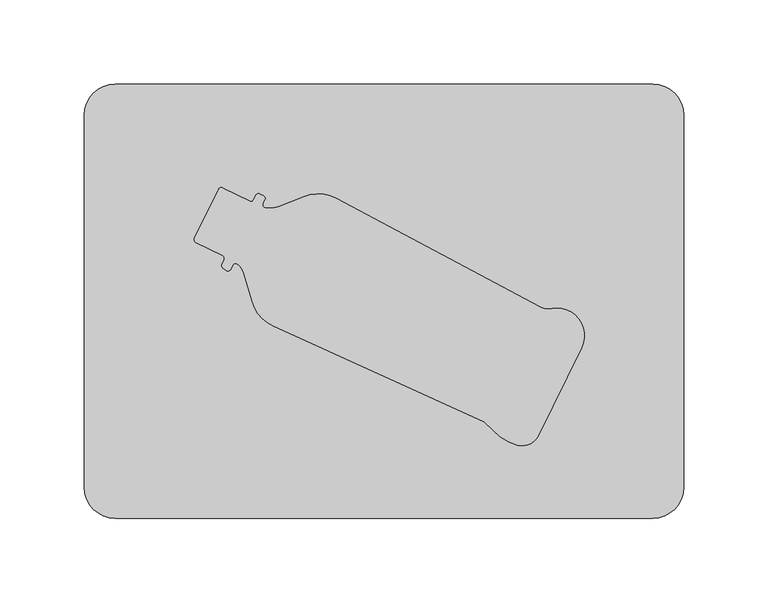
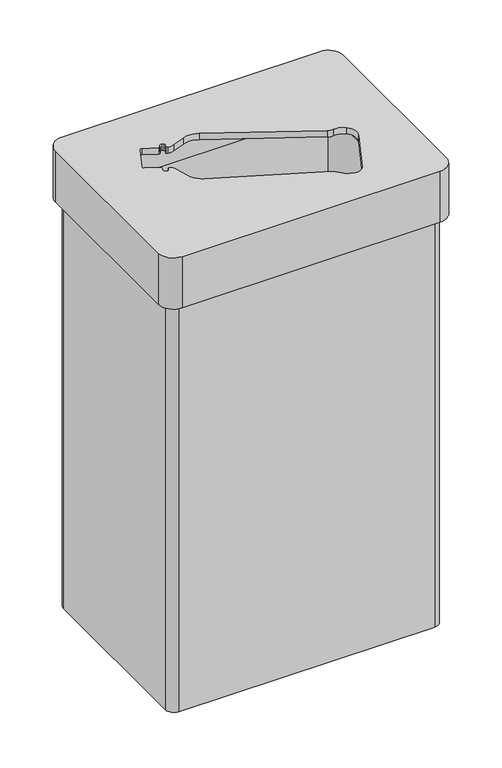
"""IFC4 building model written with IfcOpenShell, lengths in millimetres: furniture geometry."""

from ifc_helpers import new_model, si_unit, frame, origin, place, context, project, spatial, polyline, circle_curve, source, transform, mapped, element, save
from ifc_brep_helpers import plane_surface, cylinder_surface, revolved_surface, advanced_brep


def furniture_917c102f(model_context):
    return source(origin(), model_context, "Body", "AdvancedBrep", [
        advanced_brep(
        [(159.5, 129.0, 601.2), (-159.5, 129.0, 601.2), (-178.0, 110.5, 601.2), (-178.0, -110.5, 601.2), (-159.5, -129.0, 601.2), (159.5, -129.0, 601.2), (178.0, -110.5, 601.2), (178.0, 110.5, 601.2), (59.5843107, -71.6563973, 601.2), (-65.8931473, -14.6079938, 601.2), (-78.2521723, -0.2895037, 601.2), (-83.1803377, 16.6169973, 601.2), (-87.0044495, 22.1215762, 601.2), (-89.8301065, 21.5731394, 601.2), (-91.1059775, 18.9830206, 601.2), (-93.8036148, 18.3302183, 601.2), (-95.4113824, 19.5228809, 601.2), (-96.2339096, 21.9424259, 601.2), (-94.9243949, 24.6008441, 601.2), (-95.7469221, 27.020389, 601.2), (-111.7313977, 34.8942089, 601.2), (-112.5539249, 37.3137539, 601.2), (-98.1807647, 66.4924032, 601.2), (-95.7612197, 67.3149304, 601.2), (-79.776744, 59.4411105, 601.2), (-77.3571991, 60.2636377, 601.2), (-76.0476844, 62.9220559, 601.2), (-73.6281394, 63.744583, 601.2), (-71.5704661, 62.7309902, 601.2), (-70.7479389, 60.3114453, 601.2), (-71.8519965, 58.0701212, 601.2), (-70.5646552, 55.4956556, 601.2), (-62.5959675, 56.2532835, 601.2), (-47.4626798, 62.2155953, 601.2), (-28.5783978, 61.1438919, 601.2), (92.6808897, -3.330815, 601.2), (99.7648604, -4.4150109, 601.2), (113.5191292, -8.209037, 601.2), (117.3449783, -27.5875375, 601.2), (91.5026253, -80.049553, 601.2), (79.4158996, -85.5472068, 601.2), (64.8157204, -76.6560157, 601.2), (159.5, 110.5, 593.2), (159.5, -110.5, 593.2), (-159.5, -110.5, 593.2), (-159.5, 110.5, 593.2), (59.5843107, -71.6563973, 593.2), (64.8157204, -76.6560157, 593.2), (79.4158996, -85.5472068, 593.2), (91.5026253, -80.049553, 593.2), (117.3449783, -27.5875375, 593.2), (113.5191292, -8.209037, 593.2), (99.7648604, -4.4150109, 593.2), (92.6808897, -3.330815, 593.2), (-28.5783978, 61.1438919, 593.2), (-47.4626798, 62.2155953, 593.2), (-62.5959675, 56.2532835, 593.2), (-70.5646552, 55.4956556, 593.2), (-71.8519965, 58.0701212, 593.2), (-70.7479389, 60.3114453, 593.2), (-71.5704661, 62.7309902, 593.2), (-73.6281394, 63.744583, 593.2), (-76.0476844, 62.9220559, 593.2), (-77.3571991, 60.2636377, 593.2), (-79.776744, 59.4411105, 593.2), (-95.7612197, 67.3149304, 593.2), (-98.1807647, 66.4924032, 593.2), (-112.5539249, 37.3137539, 593.2), (-111.7313977, 34.8942089, 593.2), (-95.7469221, 27.020389, 593.2), (-94.9243949, 24.6008441, 593.2), (-96.2339096, 21.9424259, 593.2), (-95.4113824, 19.5228809, 593.2), (-93.8036148, 18.3302183, 593.2), (-91.1059775, 18.9830206, 593.2), (-89.8301065, 21.5731394, 593.2), (-87.0044495, 22.1215762, 593.2), (-83.1803377, 16.6169973, 593.2), (-78.2521723, -0.2895037, 593.2), (-65.8931473, -14.6079938, 593.2), (159.5, 129.0, 534.2), (178.0, 110.5, 534.2), (178.0, -110.5, 534.2), (159.5, -129.0, 534.2), (-159.5, -129.0, 534.2), (-178.0, -110.5, 534.2), (-178.0, 110.5, 534.2), (-159.5, 129.0, 534.2), (159.5, 110.5, 534.2), (-159.5, 110.5, 534.2), (-159.5, -110.5, 534.2), (159.5, -110.5, 534.2)],
        [
            (0, 1),
            (1, 2, circle_curve(frame((-159.5, 110.5, 601.2), z_axis=(0.0, 0.0, 1.0), x_axis=(1.0, 0.0, 0.0)), 18.5)),
            (2, 3),
            (3, 4, circle_curve(frame((-159.5, -110.5, 601.2), z_axis=(0.0, 0.0, 1.0), x_axis=(1.0, 0.0, 0.0)), 18.5)),
            (4, 5),
            (5, 6, circle_curve(frame((159.5, -110.5, 601.2), z_axis=(0.0, 0.0, 1.0), x_axis=(1.0, 0.0, 0.0)), 18.5)),
            (6, 7),
            (7, 0, circle_curve(frame((159.5, 110.5, 601.2), z_axis=(0.0, 0.0, 1.0), x_axis=(1.0, 0.0, 0.0)), 18.5)),
            (8, 9),
            (9, 10, circle_curve(frame((-56.5444017, 5.9544893, 601.2), z_axis=(0.0, 0.0, -1.0), x_axis=(1.0, 0.0, 0.0)), 22.5879338)),
            (10, 11),
            (11, 12, circle_curve(frame((-93.398379, 13.5989968, 601.2), z_axis=(0.0, 0.0, 1.0), x_axis=(1.0, 0.0, 0.0)), 10.6544214)),
            (12, 13, circle_curve(frame((-88.1691769, 20.5690908, 601.2), z_axis=(0.0, 0.0, 1.0), x_axis=(1.0, 0.0, 0.0)), 1.9408247)),
            (13, 14),
            (14, 15, circle_curve(frame((-92.7270136, 19.7815295, 601.2), z_axis=(0.0, 0.0, -1.0), x_axis=(1.0, 0.0, 0.0)), 1.8070347)),
            (15, 16),
            (16, 17, circle_curve(frame((-94.0726412, 21.3275696, 601.2), z_axis=(0.0, 0.0, -1.0), x_axis=(1.0, 0.0, 0.0)), 2.2470268)),
            (17, 18),
            (18, 19, circle_curve(frame((-96.545431, 25.399353, 601.2), z_axis=(0.0, 0.0, 1.0), x_axis=(1.0, 0.0, 0.0)), 1.8070347)),
            (19, 20),
            (20, 21, circle_curve(frame((-110.9328888, 36.515245, 601.2), z_axis=(0.0, 0.0, -1.0), x_axis=(1.0, 0.0, 0.0)), 1.8070347)),
            (21, 22),
            (22, 23, circle_curve(frame((-96.5597286, 65.6938943, 601.2), z_axis=(0.0, 0.0, -1.0), x_axis=(1.0, 0.0, 0.0)), 1.8070347)),
            (23, 24),
            (24, 25, circle_curve(frame((-78.9782351, 61.0621466, 601.2), z_axis=(0.0, 0.0, 1.0), x_axis=(1.0, 0.0, 0.0)), 1.8070347)),
            (25, 26),
            (26, 27, circle_curve(frame((-74.4266483, 62.1235469, 601.2), z_axis=(0.0, 0.0, -1.0), x_axis=(1.0, 0.0, 0.0)), 1.8070347)),
            (27, 28),
            (28, 29, circle_curve(frame((-72.368975, 61.1099542, 601.2), z_axis=(0.0, 0.0, -1.0), x_axis=(1.0, 0.0, 0.0)), 1.8070347)),
            (29, 30),
            (30, 31, circle_curve(frame((-70.2309604, 57.2716123, 601.2), z_axis=(0.0, 0.0, 1.0), x_axis=(1.0, 0.0, 0.0)), 1.8070347)),
            (31, 32, circle_curve(frame((-67.8950968, 69.7033092, 601.2), z_axis=(0.0, 0.0, 1.0), x_axis=(1.0, 0.0, 0.0)), 14.4562776)),
            (32, 33),
            (33, 34, circle_curve(frame((-39.1827904, 41.1999301, 601.2), z_axis=(0.0, 0.0, -1.0), x_axis=(1.0, 0.0, 0.0)), 22.5879338)),
            (34, 35),
            (35, 36, circle_curve(frame((97.7709982, 6.2422867, 601.2), z_axis=(0.0, 0.0, 1.0), x_axis=(1.0, 0.0, 0.0)), 10.8422082)),
            (36, 37, circle_curve(frame((102.7556536, -20.4009574, 601.2), z_axis=(0.0, 0.0, -1.0), x_axis=(1.0, 0.0, 0.0)), 16.2633123)),
            (37, 38, circle_curve(frame((102.7556536, -20.4009574, 601.2), z_axis=(0.0, 0.0, -1.0), x_axis=(1.0, 0.0, 0.0)), 16.2633123)),
            (38, 39),
            (39, 40, circle_curve(frame((82.0352719, -75.2706533, 601.2), z_axis=(0.0, 0.0, -1.0), x_axis=(1.0, 0.0, 0.0)), 10.6051244)),
            (40, 41, circle_curve(frame((86.6195994, -57.2850133, 601.2), z_axis=(0.0, 0.0, -1.0), x_axis=(1.0, 0.0, 0.0)), 29.1658169)),
            (41, 8, circle_curve(frame((31.6593098, -106.1128343, 601.2), z_axis=(0.0, 0.0, 1.0), x_axis=(1.0, 0.0, 0.0)), 44.3514569)),
            (42, 43),
            (43, 44),
            (44, 45),
            (45, 42),
            (46, 47, circle_curve(frame((31.6593098, -106.1128343, 593.2), z_axis=(0.0, 0.0, -1.0), x_axis=(1.0, 0.0, 0.0)), 44.3514569)),
            (47, 48, circle_curve(frame((86.6195994, -57.2850133, 593.2), z_axis=(0.0, 0.0, 1.0), x_axis=(1.0, 0.0, 0.0)), 29.1658169)),
            (48, 49, circle_curve(frame((82.0352719, -75.2706533, 593.2), z_axis=(0.0, 0.0, 1.0), x_axis=(1.0, 0.0, 0.0)), 10.6051244)),
            (49, 50),
            (50, 51, circle_curve(frame((102.7556536, -20.4009574, 593.2), z_axis=(0.0, 0.0, 1.0), x_axis=(1.0, 0.0, 0.0)), 16.2633123)),
            (51, 52, circle_curve(frame((102.7556536, -20.4009574, 593.2), z_axis=(0.0, 0.0, 1.0), x_axis=(1.0, 0.0, 0.0)), 16.2633123)),
            (52, 53, circle_curve(frame((97.7709982, 6.2422867, 593.2), z_axis=(0.0, 0.0, -1.0), x_axis=(1.0, 0.0, 0.0)), 10.8422082)),
            (53, 54),
            (54, 55, circle_curve(frame((-39.1827904, 41.1999301, 593.2), z_axis=(0.0, 0.0, 1.0), x_axis=(1.0, 0.0, 0.0)), 22.5879338)),
            (55, 56),
            (56, 57, circle_curve(frame((-67.8950968, 69.7033092, 593.2), z_axis=(0.0, 0.0, -1.0), x_axis=(1.0, 0.0, 0.0)), 14.4562776)),
            (57, 58, circle_curve(frame((-70.2309604, 57.2716123, 593.2), z_axis=(0.0, 0.0, -1.0), x_axis=(1.0, 0.0, 0.0)), 1.8070347)),
            (58, 59),
            (59, 60, circle_curve(frame((-72.368975, 61.1099542, 593.2), z_axis=(0.0, 0.0, 1.0), x_axis=(1.0, 0.0, 0.0)), 1.8070347)),
            (60, 61),
            (61, 62, circle_curve(frame((-74.4266483, 62.1235469, 593.2), z_axis=(0.0, 0.0, 1.0), x_axis=(1.0, 0.0, 0.0)), 1.8070347)),
            (62, 63),
            (63, 64, circle_curve(frame((-78.9782351, 61.0621466, 593.2), z_axis=(0.0, 0.0, -1.0), x_axis=(1.0, 0.0, 0.0)), 1.8070347)),
            (64, 65),
            (65, 66, circle_curve(frame((-96.5597286, 65.6938943, 593.2), z_axis=(0.0, 0.0, 1.0), x_axis=(1.0, 0.0, 0.0)), 1.8070347)),
            (66, 67),
            (67, 68, circle_curve(frame((-110.9328888, 36.515245, 593.2), z_axis=(0.0, 0.0, 1.0), x_axis=(1.0, 0.0, 0.0)), 1.8070347)),
            (68, 69),
            (69, 70, circle_curve(frame((-96.545431, 25.399353, 593.2), z_axis=(0.0, 0.0, -1.0), x_axis=(1.0, 0.0, 0.0)), 1.8070347)),
            (70, 71),
            (71, 72, circle_curve(frame((-94.0726412, 21.3275696, 593.2), z_axis=(0.0, 0.0, 1.0), x_axis=(1.0, 0.0, 0.0)), 2.2470268)),
            (72, 73),
            (73, 74, circle_curve(frame((-92.7270136, 19.7815295, 593.2), z_axis=(0.0, 0.0, 1.0), x_axis=(1.0, 0.0, 0.0)), 1.8070347)),
            (74, 75),
            (75, 76, circle_curve(frame((-88.1691769, 20.5690908, 593.2), z_axis=(0.0, 0.0, -1.0), x_axis=(1.0, 0.0, 0.0)), 1.9408247)),
            (76, 77, circle_curve(frame((-93.398379, 13.5989968, 593.2), z_axis=(0.0, 0.0, -1.0), x_axis=(1.0, 0.0, 0.0)), 10.6544214)),
            (77, 78),
            (78, 79, circle_curve(frame((-56.5444017, 5.9544893, 593.2), z_axis=(0.0, 0.0, 1.0), x_axis=(1.0, 0.0, 0.0)), 22.5879338)),
            (79, 46),
            (8, 46),
            (79, 9),
            (78, 10),
            (77, 11),
            (76, 12),
            (75, 13),
            (74, 14),
            (73, 15),
            (72, 16),
            (71, 17),
            (70, 18),
            (69, 19),
            (68, 20),
            (67, 21),
            (66, 22),
            (65, 23),
            (64, 24),
            (63, 25),
            (62, 26),
            (61, 27),
            (60, 28),
            (59, 29),
            (58, 30),
            (57, 31),
            (56, 32),
            (55, 33),
            (54, 34),
            (53, 35),
            (52, 36),
            (51, 37),
            (50, 38),
            (49, 39),
            (48, 40),
            (47, 41),
            (80, 81, circle_curve(frame((159.5, 110.5, 534.2), z_axis=(0.0, 0.0, -1.0), x_axis=(1.0, 0.0, 0.0)), 18.5)),
            (81, 82),
            (82, 83, circle_curve(frame((159.5, -110.5, 534.2), z_axis=(0.0, 0.0, -1.0), x_axis=(1.0, 0.0, 0.0)), 18.5)),
            (83, 84),
            (84, 85, circle_curve(frame((-159.5, -110.5, 534.2), z_axis=(0.0, 0.0, -1.0), x_axis=(1.0, 0.0, 0.0)), 18.5)),
            (85, 86),
            (86, 87, circle_curve(frame((-159.5, 110.5, 534.2), z_axis=(0.0, 0.0, -1.0), x_axis=(1.0, 0.0, 0.0)), 18.5)),
            (87, 80),
            (88, 89),
            (89, 90),
            (90, 91),
            (91, 88),
            (0, 80),
            (87, 1),
            (86, 2),
            (85, 3),
            (84, 4),
            (83, 5),
            (82, 6),
            (81, 7),
            (91, 43),
            (42, 88),
            (90, 44),
            (89, 45),
        ],
        [
            plane_surface(frame((-159.5, 110.5, 601.2), z_axis=(0.0, 0.0, 1.0), x_axis=(-1.0, 0.0, 0.0))),
            plane_surface(frame((-159.5, 110.5, 593.2), z_axis=(0.0, 0.0, -1.0), x_axis=(1.0, 0.0, 0.0))),
            plane_surface(frame((59.5843107, -71.6563973, 601.2), z_axis=(0.4138822819471082, 0.9103304107247294, 0.0), x_axis=(0.0, 0.0, -1.0))),
            revolved_surface(polyline([(-33.95646790000001, 5.9544893, 593.2), (-33.95646790000001, 5.9544893, 601.2)]), (-56.5444017, 5.9544893, 601.2), (0.0, 0.0, -1.0)),
            plane_surface(frame((-78.2521723, -0.2895037, 601.2), z_axis=(0.9600442129377379, 0.2798483682367283, 0.0), x_axis=(0.0, 0.0, -1.0))),
            cylinder_surface(frame((-93.398379, 13.5989968, 601.2), z_axis=(0.0, 0.0, 1.0), x_axis=(1.0, 0.0, 0.0)), 10.6544214),
            cylinder_surface(frame((-88.1691769, 20.5690908, 601.2), z_axis=(0.0, 0.0, 1.0), x_axis=(1.0, 0.0, 0.0)), 1.9408247),
            plane_surface(frame((-89.8301065, 21.5731394, 601.2), z_axis=(-0.8970696971642269, 0.4418890793283789, 0.0), x_axis=(0.0, 0.0, -1.0))),
            revolved_surface(polyline([(-90.9199789, 19.7815295, 593.2), (-90.9199789, 19.7815295, 601.2)]), (-92.7270136, 19.7815295, 601.2), (0.0, 0.0, -1.0)),
            plane_surface(frame((-93.8036148, 18.3302183, 601.2), z_axis=(0.5957833818075574, 0.8031451686724825, 0.0), x_axis=(0.0, 0.0, -1.0))),
            revolved_surface(polyline([(-91.8256144, 21.3275696, 593.2), (-91.8256144, 21.3275696, 601.2)]), (-94.0726412, 21.3275696, 601.2), (0.0, 0.0, -1.0)),
            plane_surface(frame((-96.2339096, 21.9424259, 601.2), z_axis=(0.8970696971642791, -0.4418890793282728, 0.0), x_axis=(0.0, 0.0, -1.0))),
            cylinder_surface(frame((-96.545431, 25.399353, 601.2), z_axis=(0.0, 0.0, 1.0), x_axis=(1.0, 0.0, 0.0)), 1.8070347),
            plane_surface(frame((-95.7469221, 27.020389, 601.2), z_axis=(0.44188907932840954, 0.8970696971642118, 0.0), x_axis=(0.0, 0.0, -1.0))),
            revolved_surface(polyline([(-109.1258541, 36.515245, 593.2), (-109.1258541, 36.515245, 601.2)]), (-110.9328888, 36.515245, 601.2), (0.0, 0.0, -1.0)),
            plane_surface(frame((-112.5539249, 37.3137539, 601.2), z_axis=(0.8970696971642161, -0.44188907932840077, 0.0), x_axis=(0.0, 0.0, -1.0))),
            revolved_surface(polyline([(-94.7526939, 65.6938943, 593.2), (-94.7526939, 65.6938943, 601.2)]), (-96.5597286, 65.6938943, 601.2), (0.0, 0.0, -1.0)),
            plane_surface(frame((-95.7612197, 67.3149304, 601.2), z_axis=(-0.44188907932834004, -0.897069697164246, 0.0), x_axis=(0.0, 0.0, -1.0))),
            cylinder_surface(frame((-78.9782351, 61.0621466, 601.2), z_axis=(0.0, 0.0, 1.0), x_axis=(1.0, 0.0, 0.0)), 1.8070347),
            plane_surface(frame((-77.3571991, 60.2636377, 601.2), z_axis=(0.8970696971641466, -0.44188907932854193, 0.0), x_axis=(0.0, 0.0, -1.0))),
            revolved_surface(polyline([(-72.6196136, 62.1235469, 593.2), (-72.6196136, 62.1235469, 601.2)]), (-74.4266483, 62.1235469, 601.2), (0.0, 0.0, -1.0)),
            plane_surface(frame((-73.6281394, 63.744583, 601.2), z_axis=(-0.4418890793284627, -0.8970696971641856, 0.0), x_axis=(0.0, 0.0, -1.0))),
            revolved_surface(polyline([(-70.5619403, 61.1099542, 593.2), (-70.5619403, 61.1099542, 601.2)]), (-72.368975, 61.1099542, 601.2), (0.0, 0.0, -1.0)),
            plane_surface(frame((-70.7479389, 60.3114453, 601.2), z_axis=(-0.8970696971640728, 0.4418890793286916, 0.0), x_axis=(0.0, 0.0, -1.0))),
            cylinder_surface(frame((-70.2309604, 57.2716123, 601.2), z_axis=(0.0, 0.0, 1.0), x_axis=(1.0, 0.0, 0.0)), 1.8070347),
            cylinder_surface(frame((-67.8950968, 69.7033092, 601.2), z_axis=(0.0, 0.0, 1.0), x_axis=(1.0, 0.0, 0.0)), 14.4562776),
            plane_surface(frame((-62.5959675, 56.2532835, 601.2), z_axis=(0.36656250054193773, -0.9303934292526157, 0.0), x_axis=(0.0, 0.0, -1.0))),
            revolved_surface(polyline([(-16.594856600000004, 41.1999301, 593.2), (-16.594856600000004, 41.1999301, 601.2)]), (-39.1827904, 41.1999301, 601.2), (0.0, 0.0, -1.0)),
            plane_surface(frame((-28.5783978, 61.1438919, 601.2), z_axis=(-0.4694715627858952, -0.8829475928589247, 0.0), x_axis=(0.0, 0.0, -1.0))),
            cylinder_surface(frame((97.7709982, 6.2422867, 601.2), z_axis=(0.0, 0.0, 1.0), x_axis=(1.0, 0.0, 0.0)), 10.8422082),
            revolved_surface(polyline([(119.0189659, -20.4009574, 593.2), (119.0189659, -20.4009574, 601.2)]), (102.7556536, -20.4009574, 601.2), (0.0, 0.0, -1.0)),
            plane_surface(frame((117.3449783, -27.5875375, 601.2), z_axis=(-0.8970696971642149, 0.4418890793284034, 0.0), x_axis=(0.0, 0.0, -1.0))),
            revolved_surface(polyline([(92.64039629999999, -75.2706533, 593.2), (92.64039629999999, -75.2706533, 601.2)]), (82.0352719, -75.2706533, 601.2), (0.0, 0.0, -1.0)),
            revolved_surface(polyline([(115.7854163, -57.2850133, 593.2), (115.7854163, -57.2850133, 601.2)]), (86.6195994, -57.2850133, 601.2), (0.0, 0.0, -1.0)),
            cylinder_surface(frame((31.6593098, -106.1128343, 601.2), z_axis=(0.0, 0.0, 1.0), x_axis=(1.0, 0.0, 0.0)), 44.3514569),
            plane_surface(frame((-159.5, 129.0, 534.2), z_axis=(0.0, 0.0, -1.0), x_axis=(1.0, 0.0, 0.0))),
            plane_surface(frame((159.5, 129.0, 601.2), z_axis=(0.0, 1.0, 0.0), x_axis=(0.0, 0.0, -1.0))),
            cylinder_surface(frame((-159.5, 110.5, 534.2), z_axis=(0.0, 0.0, 1.0), x_axis=(1.0, 0.0, 0.0)), 18.5),
            plane_surface(frame((-178.0, 110.5, 601.2), z_axis=(-1.0, 0.0, 0.0), x_axis=(0.0, 0.0, -1.0))),
            cylinder_surface(frame((-159.5, -110.5, 534.2), z_axis=(0.0, 0.0, 1.0), x_axis=(1.0, 0.0, 0.0)), 18.5),
            plane_surface(frame((-159.5, -129.0, 601.2), z_axis=(0.0, -1.0, 0.0), x_axis=(0.0, 0.0, -1.0))),
            cylinder_surface(frame((159.5, -110.5, 534.2), z_axis=(0.0, 0.0, 1.0), x_axis=(1.0, 0.0, 0.0)), 18.5),
            plane_surface(frame((178.0, -110.5, 601.2), z_axis=(1.0, 0.0, 0.0), x_axis=(0.0, 0.0, -1.0))),
            cylinder_surface(frame((159.5, 110.5, 534.2), z_axis=(0.0, 0.0, 1.0), x_axis=(1.0, 0.0, 0.0)), 18.5),
            plane_surface(frame((159.5, 110.5, 601.2), z_axis=(-1.0, 0.0, 0.0), x_axis=(0.0, 0.0, -1.0))),
            plane_surface(frame((159.5, -110.5, 601.2), z_axis=(0.0, 1.0, 0.0), x_axis=(0.0, 0.0, -1.0))),
            plane_surface(frame((-159.5, -110.5, 601.2), z_axis=(1.0, 0.0, 0.0), x_axis=(0.0, 0.0, -1.0))),
            plane_surface(frame((-159.5, 110.5, 601.2), z_axis=(0.0, -1.0, 0.0), x_axis=(0.0, 0.0, -1.0))),
        ],
        [
            (0, [[1, 2, 3, 4, 5, 6, 7, 8], [9, 10, 11, 12, 13, 14, 15, 16, 17, 18, 19, 20, 21, 22, 23, 24, 25, 26, 27, 28, 29, 30, 31, 32, 33, 34, 35, 36, 37, 38, 39, 40, 41, 42]]),
            (1, [[43, 44, 45, 46], [47, 48, 49, 50, 51, 52, 53, 54, 55, 56, 57, 58, 59, 60, 61, 62, 63, 64, 65, 66, 67, 68, 69, 70, 71, 72, 73, 74, 75, 76, 77, 78, 79, 80]]),
            (2, [[-9, 81, -80, 82]]),
            (3, [[-10, -82, -79, 83]]),
            (4, [[-11, -83, -78, 84]]),
            (5, [[-12, -84, -77, 85]]),
            (6, [[-13, -85, -76, 86]]),
            (7, [[-14, -86, -75, 87]]),
            (8, [[-15, -87, -74, 88]]),
            (9, [[-16, -88, -73, 89]]),
            (10, [[-17, -89, -72, 90]]),
            (11, [[-18, -90, -71, 91]]),
            (12, [[-19, -91, -70, 92]]),
            (13, [[-20, -92, -69, 93]]),
            (14, [[-21, -93, -68, 94]]),
            (15, [[-22, -94, -67, 95]]),
            (16, [[-23, -95, -66, 96]]),
            (17, [[-24, -96, -65, 97]]),
            (18, [[-25, -97, -64, 98]]),
            (19, [[-26, -98, -63, 99]]),
            (20, [[-27, -99, -62, 100]]),
            (21, [[-28, -100, -61, 101]]),
            (22, [[-29, -101, -60, 102]]),
            (23, [[-30, -102, -59, 103]]),
            (24, [[-31, -103, -58, 104]]),
            (25, [[-32, -104, -57, 105]]),
            (26, [[-33, -105, -56, 106]]),
            (27, [[-34, -106, -55, 107]]),
            (28, [[-35, -107, -54, 108]]),
            (29, [[-36, -108, -53, 109]]),
            (30, [[-37, -109, -52, 110]]),
            (30, [[-38, -110, -51, 111]]),
            (31, [[-39, -111, -50, 112]]),
            (32, [[-40, -112, -49, 113]]),
            (33, [[-41, -113, -48, 114]]),
            (34, [[-42, -114, -47, -81]]),
            (35, [[115, 116, 117, 118, 119, 120, 121, 122], [123, 124, 125, 126]]),
            (36, [[-1, 127, -122, 128]]),
            (37, [[-2, -128, -121, 129]]),
            (38, [[-3, -129, -120, 130]]),
            (39, [[-4, -130, -119, 131]]),
            (40, [[-5, -131, -118, 132]]),
            (41, [[-6, -132, -117, 133]]),
            (42, [[-7, -133, -116, 134]]),
            (43, [[-8, -134, -115, -127]]),
            (44, [[-126, 135, -43, 136]]),
            (45, [[-125, 137, -44, -135]]),
            (46, [[-124, 138, -45, -137]]),
            (47, [[-123, -136, -46, -138]]),
        ],
    ),
        advanced_brep(
        [(159.5, -110.5, 8.0), (159.5, 110.5, 8.0), (-159.5, 110.5, 8.0), (-159.5, -110.5, 8.0), (158.25, 119.75, 0.0), (168.75, 109.25, 0.0), (168.75, -109.25, 0.0), (158.25, -119.75, 0.0), (-158.25, -119.75, 0.0), (-168.75, -109.25, 0.0), (-168.75, 109.25, 0.0), (-158.25, 119.75, 0.0), (158.25, 119.75, 534.2), (-158.25, 119.75, 534.2), (-168.75, 109.25, 534.2), (-168.75, -109.25, 534.2), (-158.25, -119.75, 534.2), (158.25, -119.75, 534.2), (168.75, -109.25, 534.2), (168.75, 109.25, 534.2), (159.5, 110.5, 534.2), (159.5, -110.5, 534.2), (-159.5, -110.5, 534.2), (-159.5, 110.5, 534.2)],
        [
            (0, 1),
            (1, 2),
            (2, 3),
            (3, 0),
            (4, 5, circle_curve(frame((158.25, 109.25, 0.0), z_axis=(0.0, 0.0, -1.0), x_axis=(1.0, 0.0, 0.0)), 10.5)),
            (5, 6),
            (6, 7, circle_curve(frame((158.25, -109.25, 0.0), z_axis=(0.0, 0.0, -1.0), x_axis=(1.0, 0.0, 0.0)), 10.5)),
            (7, 8),
            (8, 9, circle_curve(frame((-158.25, -109.25, 0.0), z_axis=(0.0, 0.0, -1.0), x_axis=(1.0, 0.0, 0.0)), 10.5)),
            (9, 10),
            (10, 11, circle_curve(frame((-158.25, 109.25, 0.0), z_axis=(0.0, 0.0, -1.0), x_axis=(1.0, 0.0, 0.0)), 10.5)),
            (11, 4),
            (12, 13),
            (13, 14, circle_curve(frame((-158.25, 109.25, 534.2), z_axis=(0.0, 0.0, 1.0), x_axis=(1.0, 0.0, 0.0)), 10.5)),
            (14, 15),
            (15, 16, circle_curve(frame((-158.25, -109.25, 534.2), z_axis=(0.0, 0.0, 1.0), x_axis=(1.0, 0.0, 0.0)), 10.5)),
            (16, 17),
            (17, 18, circle_curve(frame((158.25, -109.25, 534.2), z_axis=(0.0, 0.0, 1.0), x_axis=(1.0, 0.0, 0.0)), 10.5)),
            (18, 19),
            (19, 12, circle_curve(frame((158.25, 109.25, 534.2), z_axis=(0.0, 0.0, 1.0), x_axis=(1.0, 0.0, 0.0)), 10.5)),
            (20, 21),
            (21, 22),
            (22, 23),
            (23, 20),
            (20, 1),
            (0, 21),
            (3, 22),
            (2, 23),
            (12, 4),
            (11, 13),
            (10, 14),
            (9, 15),
            (8, 16),
            (7, 17),
            (6, 18),
            (5, 19),
        ],
        [
            plane_surface(frame((-159.5, 110.5, 8.0), z_axis=(0.0, 0.0, 1.0), x_axis=(-1.0, 0.0, 0.0))),
            plane_surface(frame((-159.5, 110.5, 0.0), z_axis=(0.0, 0.0, -1.0), x_axis=(1.0, 0.0, 0.0))),
            plane_surface(frame((159.5, 110.5, 534.2), z_axis=(0.0, 0.0, 1.0), x_axis=(0.0, -1.0, 0.0))),
            plane_surface(frame((159.5, 110.5, 534.2), z_axis=(-1.0, 0.0, 0.0), x_axis=(0.0, 0.0, -1.0))),
            plane_surface(frame((159.5, -110.5, 534.2), z_axis=(0.0, 1.0, 0.0), x_axis=(0.0, 0.0, -1.0))),
            plane_surface(frame((-159.5, -110.5, 534.2), z_axis=(1.0, 0.0, 0.0), x_axis=(0.0, 0.0, -1.0))),
            plane_surface(frame((-159.5, 110.5, 534.2), z_axis=(0.0, -1.0, 0.0), x_axis=(0.0, 0.0, -1.0))),
            plane_surface(frame((158.25, 119.75, 534.2), z_axis=(0.0, 1.0, 0.0), x_axis=(0.0, 0.0, -1.0))),
            cylinder_surface(frame((-158.25, 109.25, 0.0), z_axis=(0.0, 0.0, 1.0), x_axis=(1.0, 0.0, 0.0)), 10.5),
            plane_surface(frame((-168.75, 109.25, 534.2), z_axis=(-1.0, 0.0, 0.0), x_axis=(0.0, 0.0, -1.0))),
            cylinder_surface(frame((-158.25, -109.25, 0.0), z_axis=(0.0, 0.0, 1.0), x_axis=(1.0, 0.0, 0.0)), 10.5),
            plane_surface(frame((-158.25, -119.75, 534.2), z_axis=(0.0, -1.0, 0.0), x_axis=(0.0, 0.0, -1.0))),
            cylinder_surface(frame((158.25, -109.25, 0.0), z_axis=(0.0, 0.0, 1.0), x_axis=(1.0, 0.0, 0.0)), 10.5),
            plane_surface(frame((168.75, -109.25, 534.2), z_axis=(1.0, 0.0, 0.0), x_axis=(0.0, 0.0, -1.0))),
            cylinder_surface(frame((158.25, 109.25, 0.0), z_axis=(0.0, 0.0, 1.0), x_axis=(1.0, 0.0, 0.0)), 10.5),
        ],
        [
            (0, [[1, 2, 3, 4]]),
            (1, [[5, 6, 7, 8, 9, 10, 11, 12]]),
            (2, [[13, 14, 15, 16, 17, 18, 19, 20], [21, 22, 23, 24]]),
            (3, [[-21, 25, -1, 26]]),
            (4, [[-22, -26, -4, 27]]),
            (5, [[-23, -27, -3, 28]]),
            (6, [[-24, -28, -2, -25]]),
            (7, [[-13, 29, -12, 30]]),
            (8, [[-14, -30, -11, 31]]),
            (9, [[-15, -31, -10, 32]]),
            (10, [[-16, -32, -9, 33]]),
            (11, [[-17, -33, -8, 34]]),
            (12, [[-18, -34, -7, 35]]),
            (13, [[-19, -35, -6, 36]]),
            (14, [[-20, -36, -5, -29]]),
        ],
    ),
    ])


if __name__ == "__main__":
    model = new_model("IFC4")
    model_context = context("Model", 3, world=origin())
    ifc_project = project(units=[si_unit("LENGTHUNIT", "METRE", prefix="MILLI")], contexts=[model_context])
    site = spatial("IfcSite", under=ifc_project)
    building = spatial("IfcBuilding", under=site)
    placement = place(None, origin())
    furniture_shape = furniture_917c102f(model_context)
    element("IfcFurniture", 1, at=placement, inside=building, context=model_context, shape_type="MappedRepresentation", body=[
        mapped(furniture_shape, transform((0.0, 0.0, 0.0), x_axis=(1.0, 0.0, 0.0), y_axis=(0.0, 1.0, 0.0), z_axis=(0.0, 0.0, 1.0))),
    ])
    save(model, "model.ifc")
